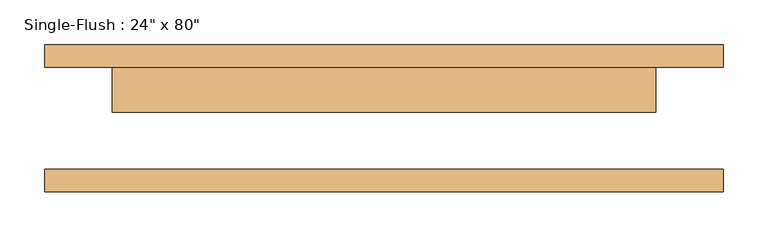
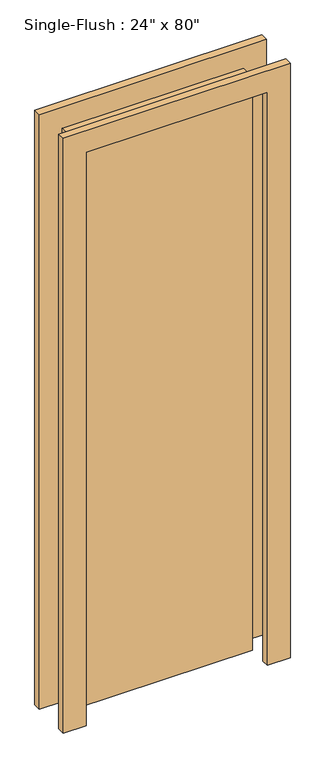
"""IFC4 building model written with IfcOpenShell, lengths in millimetres: door geometry."""

from ifc_helpers import new_model, si_unit, frame, origin, origin_with_axes, place, context, project, spatial, polyline, outline, extrude, source, transform, mapped, element, save


def door_d2bb450e(model_context):
    return source(origin(), model_context, "Body", "SweptSolid", [
        extrude(outline(polyline([(2108.2, -381.0), (0.0, -381.0), (0.0, -304.8), (2032.0, -304.8), (2032.0, 304.8), (0.0, 304.8), (0.0, 381.0), (2108.2, 381.0), (2108.2, -381.0)])), frame((0.0, 57.15, 0.0), z_axis=(0.0, 1.0, 0.0), x_axis=(0.0, 0.0, 1.0)), (0.0, 0.0, 1.0), 25.4),
        extrude(outline(polyline([(2108.2, 381.0), (2108.2, -381.0), (0.0, -381.0), (0.0, -304.8), (2032.0, -304.8), (2032.0, 304.8), (0.0, 304.8), (0.0, 381.0), (2108.2, 381.0)])), frame((0.0, -82.55, 0.0), z_axis=(0.0, 1.0, 0.0), x_axis=(0.0, 0.0, 1.0)), (0.0, 0.0, 1.0), 25.4),
        extrude(outline(polyline([(304.8, 6.35), (-304.8, 6.35), (-304.8, 57.15), (304.8, 57.15), (304.8, 6.35)])), origin_with_axes(), (0.0, 0.0, 1.0), 2032.0),
    ])


if __name__ == "__main__":
    model = new_model("IFC4")
    model_context = context("Model", 3, world=origin())
    ifc_project = project(units=[si_unit("LENGTHUNIT", "METRE", prefix="MILLI")], contexts=[model_context])
    site = spatial("IfcSite", under=ifc_project)
    building = spatial("IfcBuilding", under=site)
    placement = place(None, origin())
    door_shape = door_d2bb450e(model_context)
    element("IfcDoor", 1, ObjectType="Single-Flush : 24\" x 80\"", at=placement, inside=building, context=model_context, shape_type="MappedRepresentation", body=[
        mapped(door_shape, transform((0.0, 0.0, 0.0), x_axis=(1.0, 0.0, 0.0), y_axis=(0.0, 1.0, 0.0), z_axis=(0.0, 0.0, 1.0))),
    ])
    save(model, "model.ifc")
